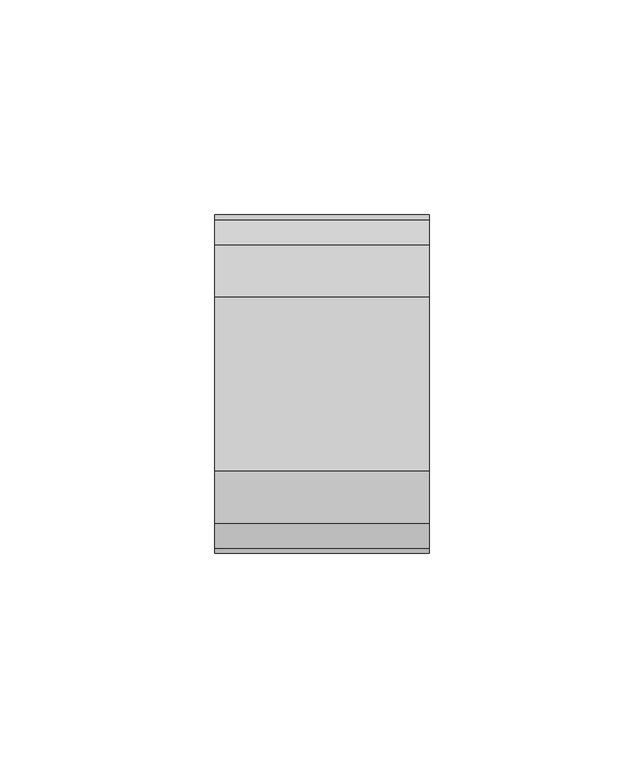
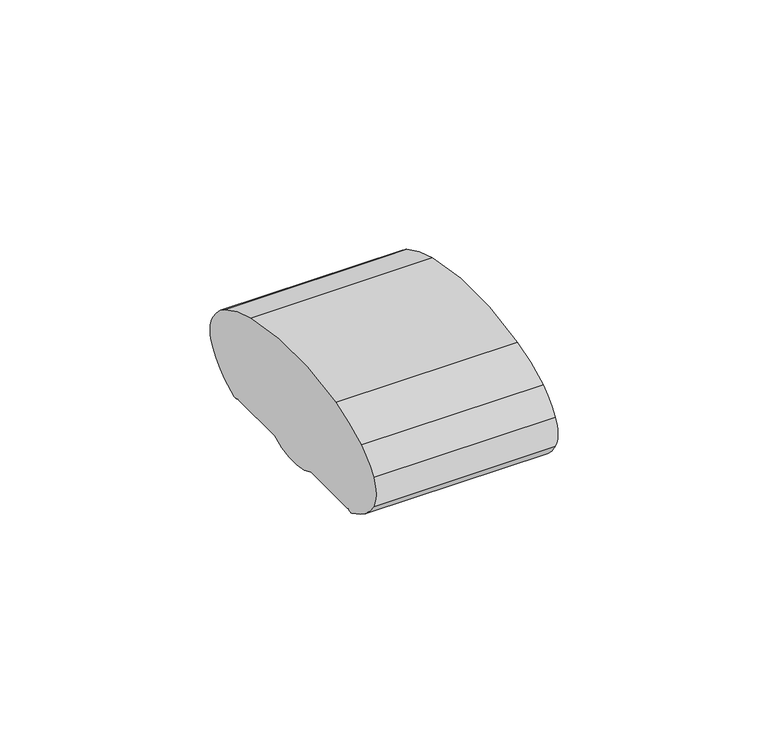
"""IFC4 building model written with IfcOpenShell, lengths in millimetres: railing geometry."""

from ifc_helpers import new_model, si_unit, point, frame, frame_2d, origin, place, context, project, spatial, polyline, circle_curve, trimmed, segment, composite_curve, outline, extrude, source, transform, mapped, element, save


def railing_b2264135(model_context):
    return source(origin(), model_context, "Body", "SweptSolid", [
        extrude(outline(composite_curve([segment(trimmed(circle_curve(frame_2d((9095.3619413, 1153.7397763)), 44.999996), [point((9106.0673858, 1197.4478202))], [point((9118.2601573, 1192.4782759))], False, "CARTESIAN"), True, "CONTINUOUS"), segment(trimmed(circle_curve(frame_2d((9109.6097194, 1177.8437303)), 17.0), [point((9118.2601573, 1192.4782759))], [point((9124.1544589, 1186.64433))], False, "CARTESIAN"), True, "CONTINUOUS"), segment(trimmed(circle_curve(frame_2d((9117.0959826, 1182.3734509)), 8.2499997), [point((9124.1544589, 1186.64433))], [point((9124.1544535, 1178.1025629))], False, "CARTESIAN"), True, "CONTINUOUS"), segment(trimmed(circle_curve(frame_2d((9109.6097251, 1186.9031808)), 17.0), [point((9124.1544535, 1178.1025629))], [point((9118.2601665, 1172.2686373))], False, "CARTESIAN"), True, "CONTINUOUS"), segment(trimmed(circle_curve(frame_2d((9095.3619413, 1211.0071314)), 44.999996), [point((9118.2601665, 1172.2686373))], [point((9113.7876029, 1169.9523554))], False, "CARTESIAN"), True, "CONTINUOUS"), segment(trimmed(circle_curve(frame_2d((9113.1786159, 1172.0517067)), 2.185896), [point((9113.7876029, 1169.9523554))], [point((9112.9960148, 1169.873451))], False, "CARTESIAN"), True, "CONTINUOUS"), segment(trimmed(circle_curve(frame_2d((9112.9960148, 1170.773451)), 0.9), [point((9112.9960148, 1169.873451))], [point((9112.0981091, 1170.7120879))], False, "CARTESIAN"), True, "CONTINUOUS"), segment(trimmed(circle_curve(frame_2d((9111.5194733, 1170.7120879)), 0.5786359), [point((9112.0981091, 1170.7120879))], [point((9111.5194733, 1170.133452))], False, "CARTESIAN"), True, "CONTINUOUS"), segment(polyline([(9111.5194733, 1170.133452), (9094.5751393, 1170.133452)]), True, "CONTINUOUS"), segment(trimmed(circle_curve(frame_2d((9085.8508208, 1187.012024)), 18.999998), [point((9094.5751393, 1170.133452))], [point((9077.1265024, 1170.133452))], False, "CARTESIAN"), True, "CONTINUOUS"), segment(polyline([(9077.1265024, 1170.133452), (9060.1821348, 1170.133452)]), True, "CONTINUOUS"), segment(trimmed(circle_curve(frame_2d((9060.1821348, 1170.7120879)), 0.5786359), [point((9060.1821348, 1170.133452))], [point((9059.603499, 1170.7120879))], False, "CARTESIAN"), True, "CONTINUOUS"), segment(trimmed(circle_curve(frame_2d((9058.7055933, 1170.773451)), 0.9), [point((9059.603499, 1170.7120879))], [point((9058.7055933, 1169.873451))], False, "CARTESIAN"), True, "CONTINUOUS"), segment(trimmed(circle_curve(frame_2d((9058.5229922, 1172.0517067)), 2.185896), [point((9058.7055933, 1169.873451))], [point((9057.9140052, 1169.9523554))], False, "CARTESIAN"), True, "CONTINUOUS"), segment(trimmed(circle_curve(frame_2d((9076.3396668, 1211.0071314)), 44.999996), [point((9057.9140052, 1169.9523554))], [point((9053.8767914, 1172.0145825))], False, "CARTESIAN"), True, "CONTINUOUS"), segment(trimmed(circle_curve(frame_2d((9062.082215, 1186.9032031)), 17.0), [point((9053.8767914, 1172.0145825))], [point((9047.5375128, 1178.1025419))], False, "CARTESIAN"), True, "CONTINUOUS"), segment(trimmed(circle_curve(frame_2d((9054.595971, 1182.3734509)), 8.2499997), [point((9047.5375128, 1178.1025419))], [point((9047.5375074, 1186.644351))], False, "CARTESIAN"), True, "CONTINUOUS"), segment(trimmed(circle_curve(frame_2d((9062.0822207, 1177.843708)), 17.0), [point((9047.5375074, 1186.644351))], [point((9053.4317599, 1192.4782401))], False, "CARTESIAN"), True, "CONTINUOUS"), segment(trimmed(circle_curve(frame_2d((9076.3300365, 1153.7397763)), 44.999996), [point((9053.4317599, 1192.4782401))], [point((9065.624592, 1197.4478202))], False, "CARTESIAN"), True, "CONTINUOUS"), segment(trimmed(circle_curve(frame_2d((9085.8459889, 1114.8881745)), 85.0), [point((9065.624592, 1197.4478202))], [point((9106.0673858, 1197.4478202))], False, "CARTESIAN"), True, "CONTINUOUS")], self_intersect=False)), frame((3681.3946925, 0.0, 0.0), z_axis=(1.0, 0.0, 0.0), x_axis=(0.0, 1.0, 0.0)), (0.0, 0.0, 1.0), 50.0),
    ])


if __name__ == "__main__":
    model = new_model("IFC4")
    model_context = context("Model", 3, world=origin())
    ifc_project = project(units=[si_unit("LENGTHUNIT", "METRE", prefix="MILLI")], contexts=[model_context])
    site = spatial("IfcSite", under=ifc_project)
    building = spatial("IfcBuilding", under=site)
    placement = place(None, origin())
    railing_shape = railing_b2264135(model_context)
    element("IfcRailing", 1, at=placement, inside=building, context=model_context, shape_type="MappedRepresentation", body=[
        mapped(railing_shape, transform((0.0, 0.0, 0.0), x_axis=(1.0, 0.0, 0.0), y_axis=(0.0, 1.0, 0.0), z_axis=(0.0, 0.0, 1.0))),
    ])
    save(model, "model.ifc")
